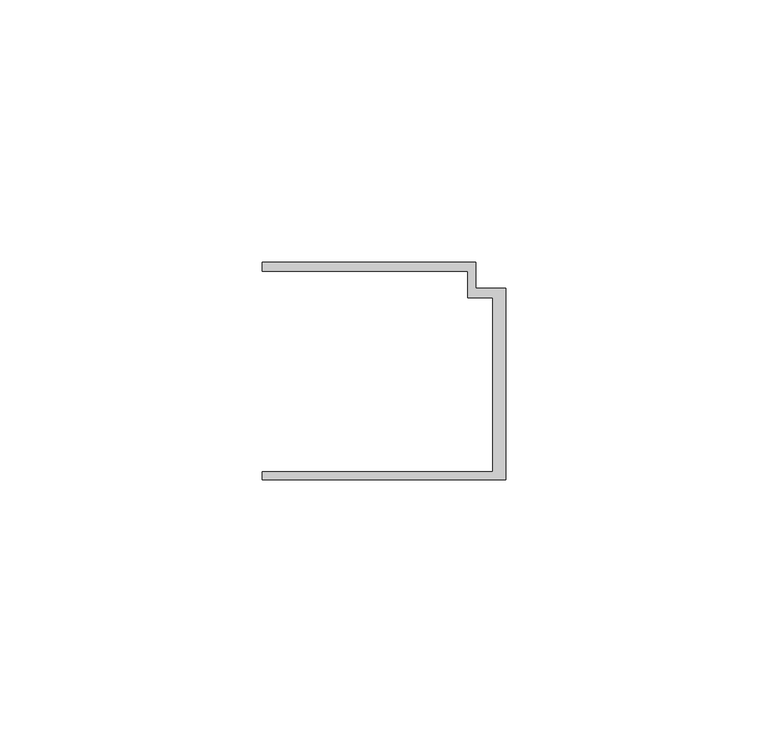
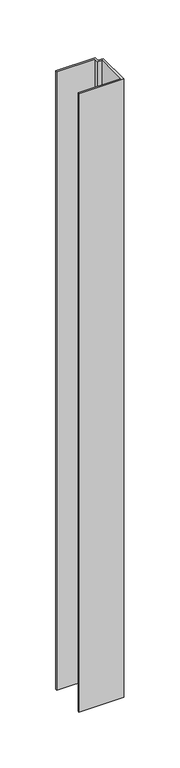
"""IFC4 building model written with IfcOpenShell, lengths in millimetres: member geometry."""

import ifcopenshell
import ifcopenshell.guid

model = None  # the IFC model being written
_history = None  # IfcOwnerHistory: only IFC2X3 demands one
_inside = {}  # id of a spatial element -> (the spatial element, [elements in it])
_under = {}  # id of a project, library or spatial element -> (it, [spatial elements below it])
_declared = {}  # id of a project -> (the project, [libraries it declares])
_typed = {}  # id of a type object -> (the type object, [elements of that type])
_made_of = {}  # id of a material, layer set ... -> (it, [elements and type objects made of it])


def new_model(schema):
    """Start an empty IFC model of exactly this schema.

    Asked for "IFC4X3", IfcOpenShell would pick the latest addendum, in which some entities
    have other attributes; the version numbers below select the first issue.
    IFC2X3 requires an IfcOwnerHistory on every rooted entity: one is made here for all.
    """
    global model, _history
    if schema == "IFC4X3":
        model = ifcopenshell.file(schema_version=(4, 3, 0, 0))
    else:
        model = ifcopenshell.file(schema=schema)
    _inside.clear()
    _under.clear()
    _declared.clear()
    _typed.clear()
    _made_of.clear()
    _history = None
    if model.schema == "IFC2X3":
        org = make("IfcOrganization", Name="unknown")
        user = make(
            "IfcPersonAndOrganization",
            ThePerson=make("IfcPerson", FamilyName="unknown"),
            TheOrganization=org,
        )
        app = make(
            "IfcApplication",
            ApplicationDeveloper=org,
            Version="unknown",
            ApplicationFullName="unknown",
            ApplicationIdentifier="unknown",
        )
        _history = make(
            "IfcOwnerHistory",
            OwningUser=user,
            OwningApplication=app,
            ChangeAction="ADDED",
            CreationDate=0,
        )
    return model


def make(cls, **values):
    """One entity of the class cls with the attributes given. An attribute that is None is left unset."""
    return model.create_entity(
        cls, **{name: value for name, value in values.items() if value is not None}
    )


def rooted(cls, **values):
    """An entity with a GlobalId (a new one), such as an element, a storey or a relation."""
    return make(cls, GlobalId=ifcopenshell.guid.new(), OwnerHistory=_history, **values)


def si_unit(unit_type, name, prefix=None):
    """IfcSIUnit, for example si_unit("LENGTHUNIT", "METRE", prefix="MILLI")."""
    return make("IfcSIUnit", UnitType=unit_type, Prefix=prefix, Name=name)


def assignment(units):
    """IfcUnitAssignment: the units of a project."""
    return None if units is None else make("IfcUnitAssignment", Units=units)


def point(xyz):
    """IfcCartesianPoint."""
    return None if xyz is None else make("IfcCartesianPoint", Coordinates=xyz)


def direction(xyz):
    """IfcDirection."""
    return None if xyz is None else make("IfcDirection", DirectionRatios=xyz)


def frame(location, z_axis=None, x_axis=None):
    """IfcAxis2Placement3D, a coordinate frame: its origin and axes. An axis left out is left unset."""
    return make(
        "IfcAxis2Placement3D",
        Location=point(location),
        Axis=direction(z_axis),
        RefDirection=direction(x_axis),
    )


def origin():
    """The frame at (0, 0, 0) with its axes left unset."""
    return frame((0.0, 0.0, 0.0))


def place(relative_to, where):
    """IfcLocalPlacement: puts the frame where relative to a parent placement (None: the world)."""
    return make(
        "IfcLocalPlacement", PlacementRelTo=relative_to, RelativePlacement=where
    )


def context(
    kind, dimensions, precision=None, world=None, true_north=None, identifier=None
):
    """IfcGeometricRepresentationContext, for example the 3D "Model" context."""
    return make(
        "IfcGeometricRepresentationContext",
        ContextIdentifier=identifier,
        ContextType=kind,
        CoordinateSpaceDimension=dimensions,
        Precision=precision,
        WorldCoordinateSystem=world,
        TrueNorth=true_north,
    )


def project(units=None, contexts=None):
    """IfcProject with its units and contexts."""
    return rooted(
        "IfcProject",
        Name="project",
        RepresentationContexts=contexts,
        UnitsInContext=assignment(units),
    )


def spatial(cls, under=None, at=None, **own):
    """A site, building, storey or space (cls), placed at a placement, below another one or the project."""
    s = rooted(cls, ObjectPlacement=at, **own)
    if under is not None:
        _under.setdefault(under.id(), (under, []))[1].append(s)
    return s


def polyline(points):
    """IfcPolyline through the points."""
    return make("IfcPolyline", Points=[point(p) for p in points])


def outline(outer, holes=None, kind="AREA"):
    """IfcArbitraryClosedProfileDef: a profile drawn as a closed curve; with holes, ...WithVoids."""
    if holes is None:
        return make("IfcArbitraryClosedProfileDef", ProfileType=kind, OuterCurve=outer)
    return make(
        "IfcArbitraryProfileDefWithVoids",
        ProfileType=kind,
        OuterCurve=outer,
        InnerCurves=holes,
    )


def extrude(swept, where, along, depth):
    """IfcExtrudedAreaSolid: the profile swept, set in the frame where, extruded along a direction by depth."""
    return make(
        "IfcExtrudedAreaSolid",
        SweptArea=swept,
        Position=where,
        ExtrudedDirection=direction(along),
        Depth=depth,
    )


def shape(context_of_items, identifier, shape_type, items):
    """IfcShapeRepresentation: the items that make up one representation, for example the "Body"."""
    return make(
        "IfcShapeRepresentation",
        ContextOfItems=context_of_items,
        RepresentationIdentifier=identifier,
        RepresentationType=shape_type,
        Items=items,
    )


def source(mapping_origin, context_of_items, identifier, shape_type, items):
    """IfcRepresentationMap: a shape defined once, which mapped items show again and again."""
    return make(
        "IfcRepresentationMap",
        MappingOrigin=mapping_origin,
        MappedRepresentation=shape(context_of_items, identifier, shape_type, items),
    )


def transform(
    local_origin,
    x_axis=None,
    y_axis=None,
    z_axis=None,
    scale=None,
    scale2=None,
    scale3=None,
    uniform=True,
):
    """IfcCartesianTransformationOperator3D, or its non-uniform kind. x_axis, y_axis, z_axis: its Axis1, 2, 3."""
    if uniform:
        return make(
            "IfcCartesianTransformationOperator3D",
            Axis1=direction(x_axis),
            Axis2=direction(y_axis),
            LocalOrigin=point(local_origin),
            Scale=scale,
            Axis3=direction(z_axis),
        )
    return make(
        "IfcCartesianTransformationOperator3DnonUniform",
        Axis1=direction(x_axis),
        Axis2=direction(y_axis),
        LocalOrigin=point(local_origin),
        Scale=scale,
        Axis3=direction(z_axis),
        Scale2=scale2,
        Scale3=scale3,
    )


def mapped(mapping_source, mapping_target):
    """IfcMappedItem: shows the shape of a source again, moved by a transform."""
    return make(
        "IfcMappedItem", MappingSource=mapping_source, MappingTarget=mapping_target
    )


def made_of(thing, what):
    """Note that an element or type object is made of a material, layer set ...; save() writes the relation."""
    if what is not None:
        _made_of.setdefault(what.id(), (what, []))[1].append(thing)
    return thing


def element(
    cls,
    number,
    at=None,
    inside=None,
    cuts=None,
    type_object=None,
    material=None,
    context=None,
    identifier="Body",
    shape_type=None,
    held_by="IfcProductDefinitionShape",
    body=None,
    shapes=None,
    **own,
):
    """One element of the class cls, such as IfcWall. Its Tag is "e" and its number.

    at: its placement. inside: the storey or other place that contains it. cuts: it is an
    opening in that element (IfcRelVoidsElement). A single representation is given by context,
    identifier, shape_type and body (its items); several are given by shapes. held_by: the class
    of the entity that holds the representations. save() writes the other relations.
    """
    e = rooted(cls, Tag="e%d" % number, ObjectPlacement=at, **own)
    if body is not None:
        shapes = [shape(context, identifier, shape_type, body)]
    if shapes is not None:
        e.Representation = make(held_by, Representations=shapes)
    if inside is not None:
        _inside.setdefault(inside.id(), (inside, []))[1].append(e)
    if cuts is not None:
        rooted(
            "IfcRelVoidsElement", RelatingBuildingElement=cuts, RelatedOpeningElement=e
        )
    if type_object is not None:
        _typed.setdefault(type_object.id(), (type_object, []))[1].append(e)
    return made_of(e, material)


def aggregate(whole, parts):
    """IfcRelAggregates: a whole, such as a stair, and the parts it consists of."""
    return rooted("IfcRelAggregates", RelatingObject=whole, RelatedObjects=parts)


def save(model, path):
    """Write the relations noted so far, then the file.

    IfcRelAggregates (storeys below a building ...), IfcRelContainedInSpatialStructure (elements
    in a storey), IfcRelDefinesByType, IfcRelAssociatesMaterial and IfcRelDeclares: one each for
    every whole, place, type object, material and project.
    """
    for whole, parts in _under.values():
        aggregate(whole, parts)
    for where, things in _inside.values():
        rooted(
            "IfcRelContainedInSpatialStructure",
            RelatedElements=things,
            RelatingStructure=where,
        )
    for kind, things in _typed.values():
        rooted("IfcRelDefinesByType", RelatedObjects=things, RelatingType=kind)
    for what, things in _made_of.values():
        rooted("IfcRelAssociatesMaterial", RelatedObjects=things, RelatingMaterial=what)
    for by, libraries in _declared.values():
        rooted("IfcRelDeclares", RelatingContext=by, RelatedDefinitions=libraries)
    model.write(path)


def member_89408084(model_context):
    return source(origin(), model_context, "Body", "SweptSolid", [
        extrude(outline(polyline([(-46.3, -19.2), (-2.4, -19.2), (-2.4, 14.0), (-7.2, 14.0), (-7.2, 19.0), (-46.3, 19.0), (-46.3, 20.7), (-5.6999992, 20.7), (-5.6999992, 15.8), (0.0, 15.8), (0.0, -20.7), (-46.3, -20.7), (-46.3, -19.2)])), frame((0.0, 0.0, -676.3602632), z_axis=(0.0, 0.0, 1.0), x_axis=(1.0, 0.0, 0.0)), (0.0, 0.0, 1.0), 676.3602632),
    ])


if __name__ == "__main__":
    model = new_model("IFC4")
    model_context = context("Model", 3, world=origin())
    ifc_project = project(units=[si_unit("LENGTHUNIT", "METRE", prefix="MILLI")], contexts=[model_context])
    site = spatial("IfcSite", under=ifc_project)
    building = spatial("IfcBuilding", under=site)
    placement = place(None, origin())
    member_shape = member_89408084(model_context)
    element("IfcMember", 1, at=placement, inside=building, context=model_context, shape_type="MappedRepresentation", body=[
        mapped(member_shape, transform((0.0, 0.0, 0.0), x_axis=(1.0, 0.0, 0.0), y_axis=(0.0, 1.0, 0.0), z_axis=(0.0, 0.0, 1.0))),
    ])
    save(model, "model.ifc")
